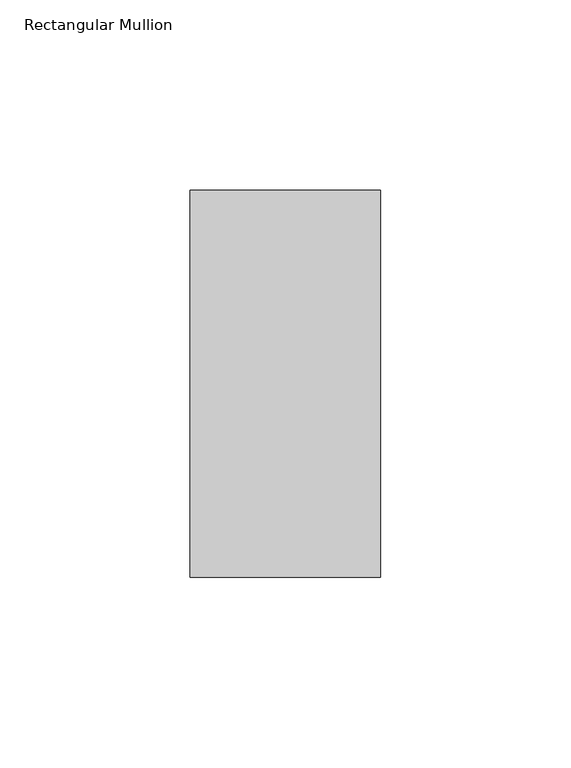
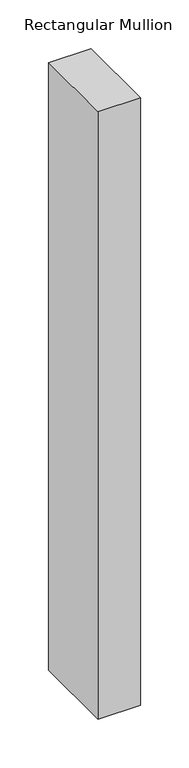
"""IFC4 building model written with IfcOpenShell, lengths in millimetres: member geometry, Rectangular Mullion."""

from ifc_helpers import new_model, si_unit, frame, origin, place, context, project, spatial, polyline, outline, extrude, source, transform, mapped, element, save


def rectangular_mullion_c172a4be(model_context):
    return source(origin(), model_context, "Body", "SweptSolid", [
        extrude(outline(polyline([(25.0, 50.8), (25.0, -50.8), (-25.0, -50.8), (-25.0, 50.8), (25.0, 50.8)])), frame((0.0, 0.0, -760.0), z_axis=(0.0, 0.0, 1.0), x_axis=(1.0, 0.0, 0.0)), (0.0, 0.0, 1.0), 760.0),
    ])


if __name__ == "__main__":
    model = new_model("IFC4")
    model_context = context("Model", 3, world=origin())
    ifc_project = project(units=[si_unit("LENGTHUNIT", "METRE", prefix="MILLI")], contexts=[model_context])
    site = spatial("IfcSite", under=ifc_project)
    building = spatial("IfcBuilding", under=site)
    placement = place(None, origin())
    rectangular_mullion_shape = rectangular_mullion_c172a4be(model_context)
    element("IfcMember", 1, ObjectType="Rectangular Mullion", at=placement, inside=building, context=model_context, shape_type="MappedRepresentation", body=[
        mapped(rectangular_mullion_shape, transform((0.0, 0.0, 0.0), x_axis=(1.0, 0.0, 0.0), y_axis=(0.0, 1.0, 0.0), z_axis=(0.0, 0.0, 1.0))),
    ])
    save(model, "model.ifc")
